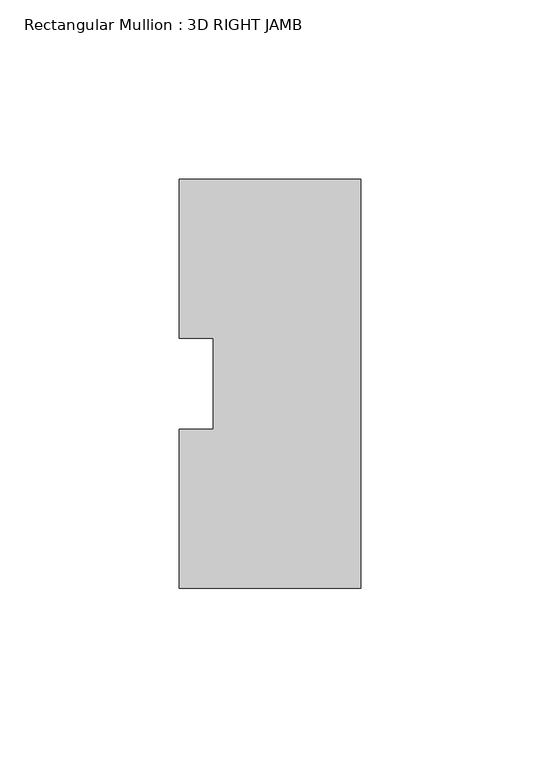
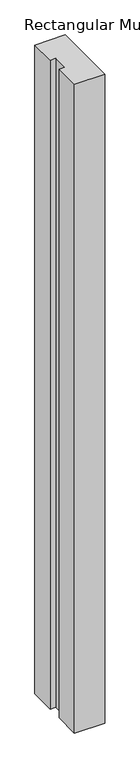
"""IFC4 building model written with IfcOpenShell, lengths in millimetres: member geometry, Rectangular Mullion : 3D RIGHT JAMB."""

from ifc_helpers import new_model, si_unit, frame, origin, place, context, project, spatial, polyline, outline, extrude, source, transform, mapped, element, save


def rectangular_mullion_3d_right_jamb_4190c6f7(model_context):
    return source(origin(), model_context, "Body", "SweptSolid", [
        extrude(outline(polyline([(0.0, -53.3781), (-50.8, -53.3781), (-50.8, -8.9607957), (-41.275, -8.9607957), (-41.275, 16.5269026), (-50.8, 16.5269026), (-50.8, 60.9219), (0.0, 60.934981), (0.0, -53.3781)])), frame((0.0, 0.0, -1143.9472853), z_axis=(0.0, 0.0, 1.0), x_axis=(1.0, 0.0, 0.0)), (0.0, 0.0, 1.0), 1143.9472853),
    ])


if __name__ == "__main__":
    model = new_model("IFC4")
    model_context = context("Model", 3, world=origin())
    ifc_project = project(units=[si_unit("LENGTHUNIT", "METRE", prefix="MILLI")], contexts=[model_context])
    site = spatial("IfcSite", under=ifc_project)
    building = spatial("IfcBuilding", under=site)
    placement = place(None, origin())
    rectangular_mullion_3d_right_jamb_shape = rectangular_mullion_3d_right_jamb_4190c6f7(model_context)
    element("IfcMember", 1, ObjectType="Rectangular Mullion : 3D RIGHT JAMB", at=placement, inside=building, context=model_context, shape_type="MappedRepresentation", body=[
        mapped(rectangular_mullion_3d_right_jamb_shape, transform((0.0, 0.0, 0.0), x_axis=(1.0, 0.0, 0.0), y_axis=(0.0, 1.0, 0.0), z_axis=(0.0, 0.0, 1.0))),
    ])
    save(model, "model.ifc")
